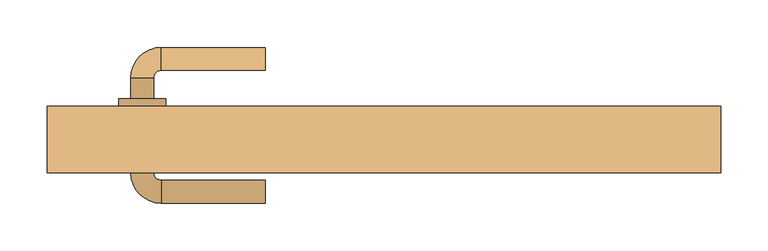
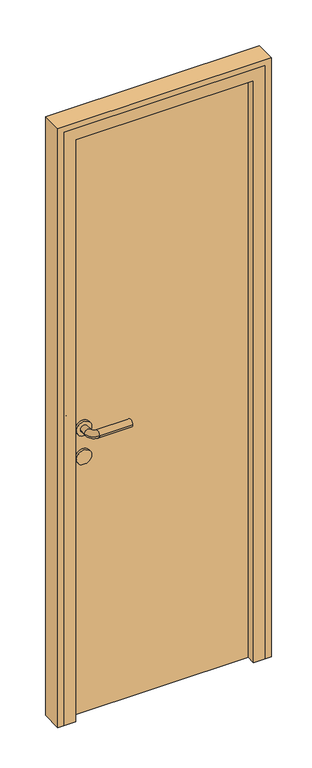
"""IFC4 building model written with IfcOpenShell, lengths in millimetres: door geometry."""

from ifc_helpers import new_model, si_unit, point, frame, frame_2d, origin, origin_with_axes, place, context, project, spatial, polyline, circle_curve, ellipse_curve, trimmed, segment, composite_curve, outline, extrude, faceted_brep, source, transform, mapped, element, save
from ifc_brep_helpers import plane_surface, cylinder_surface, revolved_surface, advanced_brep


def door_737d9855(model_context):
    return source(origin(), model_context, "Body", "SolidModel", [
        advanced_brep(
        [(-125.0, 122.0, 1000.0), (-125.0, 98.0, 1000.0), (-235.0, 122.0, 1000.0), (-235.0, 98.0, 1000.0), (-267.0, 90.0, 1000.0), (-243.0, 90.0, 1000.0), (-267.0, 68.0, 1000.0), (-243.0, 68.0, 1000.0), (-267.0, -10.0, 1000.0), (-243.0, -10.0, 1000.0), (-243.0, 12.0, 1000.0), (-267.0, 12.0, 1000.0), (-235.0, -42.0, 1000.0), (-235.0, -18.0, 1000.0), (-125.0, -42.0, 1000.0), (-125.0, -18.0, 1000.0), (-230.0, 12.0, 1000.0), (-280.0, 12.0, 1000.0), (-230.0, 68.0, 1000.0), (-280.0, 68.0, 1000.0)],
        [
            (0, 1, circle_curve(frame((-125.0, 110.0, 1000.0), z_axis=(1.0, 0.0, 0.0), x_axis=(0.0, -1.0, 0.0)), 12.0)),
            (1, 0, circle_curve(frame((-125.0, 110.0, 1000.0), z_axis=(1.0, 0.0, 0.0), x_axis=(0.0, -1.0, 0.0)), 12.0)),
            (0, 2),
            (2, 3, circle_curve(frame((-235.0, 110.0, 1000.0), z_axis=(1.0, 0.0, 0.0), x_axis=(0.0, -1.0, 0.0)), 12.0)),
            (3, 1),
            (3, 2, circle_curve(frame((-235.0, 110.0, 1000.0), z_axis=(1.0, 0.0, 0.0), x_axis=(0.0, -1.0, 0.0)), 12.0)),
            (2, 4, circle_curve(frame((-235.0, 90.0, 1000.0), z_axis=(0.0, 0.0, 1.0), x_axis=(0.0, 1.0, 0.0)), 32.0)),
            (4, 5, circle_curve(frame((-255.0, 90.0, 1000.0), z_axis=(0.0, 1.0, 0.0), x_axis=(1.0, 0.0, 0.0)), 12.0)),
            (5, 3, circle_curve(frame((-235.0, 90.0, 1000.0), z_axis=(0.0, 0.0, -1.0), x_axis=(0.0, 1.0, 0.0)), 8.0)),
            (5, 4, circle_curve(frame((-255.0, 90.0, 1000.0), z_axis=(0.0, 1.0, 0.0), x_axis=(1.0, 0.0, 0.0)), 12.0)),
            (4, 6),
            (6, 7, circle_curve(frame((-255.0, 68.0, 1000.0), z_axis=(0.0, 1.0, 0.0), x_axis=(1.0, 0.0, 0.0)), 12.0)),
            (7, 5),
            (8, 9, circle_curve(frame((-255.0, -10.0, 1000.0), z_axis=(0.0, 1.0, 0.0), x_axis=(1.0, 0.0, 0.0)), 12.0)),
            (9, 10),
            (10, 11, circle_curve(frame((-255.0, 12.0, 1000.0), z_axis=(0.0, -1.0, 0.0), x_axis=(1.0, 0.0, 0.0)), 12.0)),
            (11, 8),
            (7, 6, circle_curve(frame((-255.0, 68.0, 1000.0), z_axis=(0.0, 1.0, 0.0), x_axis=(1.0, 0.0, 0.0)), 12.0)),
            (9, 8, circle_curve(frame((-255.0, -10.0, 1000.0), z_axis=(0.0, 1.0, 0.0), x_axis=(1.0, 0.0, 0.0)), 12.0)),
            (11, 10, circle_curve(frame((-255.0, 12.0, 1000.0), z_axis=(0.0, -1.0, 0.0), x_axis=(1.0, 0.0, 0.0)), 12.0)),
            (8, 12, circle_curve(frame((-235.0, -10.0, 1000.0), z_axis=(0.0, 0.0, 1.0), x_axis=(-1.0, 0.0, 0.0)), 32.0)),
            (12, 13, circle_curve(frame((-235.0, -30.0, 1000.0), z_axis=(-1.0, 0.0, 0.0), x_axis=(0.0, 1.0, 0.0)), 12.0)),
            (13, 9, circle_curve(frame((-235.0, -10.0, 1000.0), z_axis=(0.0, 0.0, -1.0), x_axis=(-1.0, 0.0, 0.0)), 8.0)),
            (13, 12, circle_curve(frame((-235.0, -30.0, 1000.0), z_axis=(-1.0, 0.0, 0.0), x_axis=(0.0, 1.0, 0.0)), 12.0)),
            (14, 15, circle_curve(frame((-125.0, -30.0, 1000.0), z_axis=(1.0, 0.0, 0.0), x_axis=(0.0, 1.0, 0.0)), 12.0)),
            (15, 14, circle_curve(frame((-125.0, -30.0, 1000.0), z_axis=(1.0, 0.0, 0.0), x_axis=(0.0, 1.0, 0.0)), 12.0)),
            (12, 14),
            (15, 13),
            (16, 17, circle_curve(frame((-255.0, 12.0, 1000.0), z_axis=(0.0, -1.0, 0.0), x_axis=(-1.0, 0.0, 0.0)), 25.0)),
            (17, 16, circle_curve(frame((-255.0, 12.0, 1000.0), z_axis=(0.0, -1.0, 0.0), x_axis=(-1.0, 0.0, 0.0)), 25.0)),
            (18, 19, circle_curve(frame((-255.0, 68.0, 1000.0), z_axis=(0.0, 1.0, 0.0), x_axis=(-1.0, 0.0, 0.0)), 25.0)),
            (19, 18, circle_curve(frame((-255.0, 68.0, 1000.0), z_axis=(0.0, 1.0, 0.0), x_axis=(-1.0, 0.0, 0.0)), 25.0)),
            (16, 18),
            (19, 17),
        ],
        [
            plane_surface(frame((-125.0, 110.0, 1000.0), z_axis=(1.0, 0.0, 0.0), x_axis=(0.0, 0.0, 1.0))),
            cylinder_surface(frame((-125.0, 110.0, 1000.0), z_axis=(1.0, 0.0, 0.0), x_axis=(0.0, -1.0, 0.0)), 12.0),
            revolved_surface(trimmed(ellipse_curve(frame((-235.0, 110.0, 1000.0), z_axis=(1.0, 0.0, 0.0), x_axis=(0.0, -1.0, 0.0)), 12.0, 12.0), [point((-235.0, 122.0, 1000.0))], [point((-235.0, 98.0, 1000.0))], True, "CARTESIAN"), (-235.0, 90.0, 1000.0), (0.0, 0.0, 1.0)),
            revolved_surface(trimmed(ellipse_curve(frame((-235.0, 110.0, 1000.0), z_axis=(1.0, 0.0, 0.0), x_axis=(0.0, -1.0, 0.0)), 12.0, 12.0), [point((-235.0, 98.0, 1000.0))], [point((-235.0, 122.0, 1000.0))], True, "CARTESIAN"), (-235.0, 90.0, 1000.0), (0.0, 0.0, 1.0)),
            cylinder_surface(frame((-255.0, 90.0, 1000.0), z_axis=(0.0, 1.0, 0.0), x_axis=(1.0, 0.0, 0.0)), 12.0),
            revolved_surface(trimmed(ellipse_curve(frame((-255.0, -10.0, 1000.0), z_axis=(0.0, 1.0, 0.0), x_axis=(1.0, 0.0, 0.0)), 12.0, 12.0), [point((-267.0, -10.0, 1000.0))], [point((-243.0, -10.0, 1000.0))], True, "CARTESIAN"), (-235.0, -10.0, 1000.0), (0.0, 0.0, 1.0)),
            revolved_surface(trimmed(ellipse_curve(frame((-255.0, -10.0, 1000.0), z_axis=(0.0, 1.0, 0.0), x_axis=(1.0, 0.0, 0.0)), 12.0, 12.0), [point((-243.0, -10.0, 1000.0))], [point((-267.0, -10.0, 1000.0))], True, "CARTESIAN"), (-235.0, -10.0, 1000.0), (0.0, 0.0, 1.0)),
            plane_surface(frame((-125.0, -30.0, 1000.0), z_axis=(1.0, 0.0, 0.0), x_axis=(0.0, 0.0, 1.0))),
            cylinder_surface(frame((-235.0, -30.0, 1000.0), z_axis=(-1.0, 0.0, 0.0), x_axis=(0.0, 1.0, 0.0)), 12.0),
            plane_surface(frame((-280.0, 12.0, 1000.0), z_axis=(0.0, -1.0, 0.0), x_axis=(0.0, 0.0, -1.0))),
            plane_surface(frame((-280.0, 68.0, 1000.0), z_axis=(0.0, 1.0, 0.0), x_axis=(0.0, 0.0, 1.0))),
            cylinder_surface(frame((-255.0, 12.0, 1000.0), z_axis=(0.0, 1.0, 0.0), x_axis=(-1.0, 0.0, 0.0)), 25.0),
        ],
        [
            (0, [[1, 2]]),
            (1, [[-1, 3, 4, 5]]),
            (1, [[-2, -5, 6, -3]]),
            (2, [[-4, 7, 8, 9]]),
            (3, [[-6, -9, 10, -7]]),
            (4, [[-8, 11, 12, 13]]),
            (4, [[14, 15, 16, 17]]),
            (4, [[-10, -13, 18, -11]]),
            (4, [[19, -17, 20, -15]]),
            (5, [[-14, 21, 22, 23]]),
            (6, [[-19, -23, 24, -21]]),
            (7, [[25, 26]]),
            (8, [[-22, 27, -26, 28]]),
            (8, [[-24, -28, -25, -27]]),
            (9, [[29, 30], [-16, -20]]),
            (10, [[31, 32], [-12, -18]]),
            (11, [[-29, 33, -32, 34]]),
            (11, [[-30, -34, -31, -33]]),
        ],
    ),
        extrude(outline(composite_curve([segment(trimmed(circle_curve(frame_2d((900.0, -255.0)), 25.0), [point((900.0, -230.0))], [point((900.0, -280.0))], False, "CARTESIAN"), True, "CONTINUOUS"), segment(trimmed(circle_curve(frame_2d((900.0, -255.0)), 25.0), [point((900.0, -280.0))], [point((900.0, -230.0))], False, "CARTESIAN"), True, "CONTINUOUS")], self_intersect=False)), frame((0.0, 12.0, 0.0), z_axis=(0.0, 1.0, 0.0), x_axis=(0.0, 0.0, 1.0)), (0.0, 0.0, 1.0), 56.0),
        extrude(outline(polyline([(305.0, 20.0), (-305.0, 20.0), (-305.0, 60.0), (305.0, 60.0), (305.0, 20.0)])), origin_with_axes(), (0.0, 0.0, 1.0), 2050.0),
        extrude(outline(polyline([(0.0, 355.0), (2100.0, 355.0), (2100.0, -355.0), (0.0, -355.0), (0.0, -335.0), (2080.0, -335.0), (2080.0, 335.0), (0.0, 335.0), (0.0, 355.0)])), frame((0.0, -10.0, 0.0), z_axis=(0.0, 1.0, 0.0), x_axis=(0.0, 0.0, 1.0)), (0.0, 0.0, 1.0), 70.0),
        faceted_brep([(-335.0, -10.0, 0.0), (-335.0, 60.0, 0.0), (-305.0, 60.0, 0.0), (-305.0, 20.0, 0.0), (-295.0, 20.0, 0.0), (-295.0, -10.0, 0.0), (-335.0, -10.0, 2080.0), (-335.0, 60.0, 2080.0), (335.0, 60.0, 2080.0), (335.0, 60.0, 0.0), (305.0, 60.0, 0.0), (305.0, 60.0, 2050.0), (-305.0, 60.0, 2050.0), (-305.0, 20.0, 2050.0), (305.0, 20.0, 2050.0), (305.0, 20.0, 0.0), (295.0, 20.0, 0.0), (295.0, 20.0, 2040.0), (-295.0, 20.0, 2040.0), (-295.0, -10.0, 2040.0), (295.0, -10.0, 2040.0), (295.0, -10.0, 0.0), (335.0, -10.0, 0.0), (335.0, -10.0, 2080.0)], [[[0, 1, 2, 3, 4, 5]], [[1, 0, 6, 7]], [[2, 1, 7, 8, 9, 10, 11, 12]], [[3, 2, 12, 13]], [[4, 3, 13, 14, 15, 16, 17, 18]], [[5, 4, 18, 19]], [[0, 5, 19, 20, 21, 22, 23, 6]], [[7, 6, 23, 8]], [[13, 12, 11, 14]], [[19, 18, 17, 20]], [[22, 21, 16, 15, 10, 9]], [[8, 23, 22, 9]], [[14, 11, 10, 15]], [[20, 17, 16, 21]]]),
    ])


if __name__ == "__main__":
    model = new_model("IFC4")
    model_context = context("Model", 3, world=origin())
    ifc_project = project(units=[si_unit("LENGTHUNIT", "METRE", prefix="MILLI")], contexts=[model_context])
    site = spatial("IfcSite", under=ifc_project)
    building = spatial("IfcBuilding", under=site)
    placement = place(None, origin())
    door_shape = door_737d9855(model_context)
    element("IfcDoor", 1, at=placement, inside=building, context=model_context, shape_type="MappedRepresentation", body=[
        mapped(door_shape, transform((0.0, 0.0, 0.0), x_axis=(1.0, 0.0, 0.0), y_axis=(0.0, 1.0, 0.0), z_axis=(0.0, 0.0, 1.0))),
    ])
    save(model, "model.ifc")
